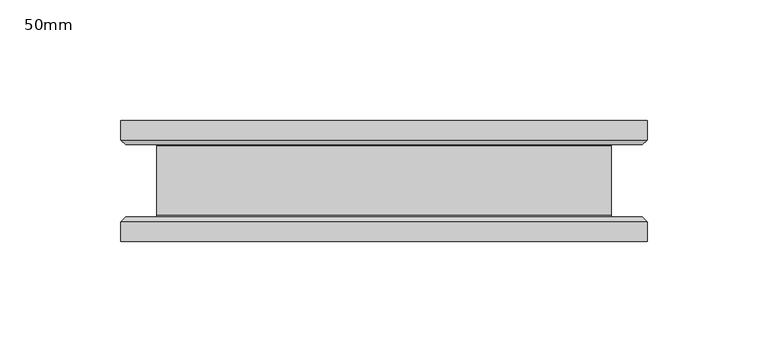
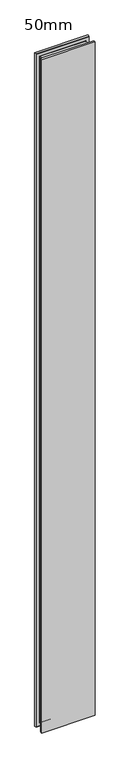
"""IFC4 building model written with IfcOpenShell, lengths in millimetres: plate geometry, 50mm."""

from ifc_helpers import new_model, si_unit, frame, origin, place, context, project, spatial, polyline, ellipse_curve, source, transform, mapped, element, save
from ifc_brep_helpers import plane_surface, revolved_surface, advanced_brep


def plate_50mm_5f269b6a(model_context):
    return source(origin(), model_context, "Body", "AdvancedBrep", [
        advanced_brep(
        [(108.9999998, 25.0, 2900.0), (-108.9999998, 25.0, 2900.0), (-108.9999998, 17.0, 2900.0), (108.9999998, 17.0, 2900.0), (-108.9999998, -25.0, 2900.0), (108.9999998, -25.0, 2900.0), (108.9999998, -17.0, 2900.0), (-108.9999998, -17.0, 2900.0), (108.9999998, -25.0, -13.5), (-108.9999998, -25.0, -13.5), (-108.9999998, -17.0, -13.5), (108.9999998, -17.0, -13.5), (-108.9999998, 25.0, -13.5), (108.9999998, 25.0, -13.5), (108.9999998, 17.0, -13.5), (-108.9999998, 17.0, -13.5), (-106.9999998, -15.0, -11.5), (106.9999998, -15.0, -11.5), (-93.9999998, -14.4, 1.5), (93.9999998, -14.4, 1.5), (94.5999998, -15.0, 0.9), (-94.5999998, -15.0, 0.9), (-93.9999998, 14.4, 1.5), (93.9999998, 14.4, 1.5), (-94.5999998, 15.0, 0.9), (94.5999998, 15.0, 0.9), (106.9999998, 15.0, -11.5), (-106.9999998, 15.0, -11.5), (106.9999998, -15.0, 2898.0), (93.9999998, -14.4, 2885.0), (94.5999998, -15.0, 2885.6), (93.9999998, 14.4, 2885.0), (94.5999998, 15.0, 2885.6), (106.9999998, 15.0, 2898.0), (-106.9999998, -15.0, 2898.0), (-93.9999998, -14.4, 2885.0), (-94.5999998, -15.0, 2885.6), (-93.9999998, 14.4, 2885.0), (-94.5999998, 15.0, 2885.6), (-106.9999998, 15.0, 2898.0)],
        [
            (0, 1),
            (1, 2),
            (2, 3),
            (3, 0),
            (4, 5),
            (5, 6),
            (6, 7),
            (7, 4),
            (8, 9),
            (9, 10),
            (10, 11),
            (11, 8),
            (12, 13),
            (13, 14),
            (14, 15),
            (15, 12),
            (0, 13),
            (12, 1),
            (15, 2),
            (9, 4),
            (7, 10),
            (8, 5),
            (3, 14),
            (11, 6),
            (16, 17),
            (17, 11),
            (10, 16),
            (18, 19),
            (19, 20, ellipse_curve(frame((94.5999998, -14.4, 0.9), z_axis=(0.7071067811865475, 0.0, 0.7071067811865475), x_axis=(-0.7071067811865476, 0.0, 0.7071067811865474)), 0.8485281, 0.6)),
            (20, 21),
            (21, 18, ellipse_curve(frame((-94.5999998, -14.4, 0.9), z_axis=(-0.7071067811865475, 0.0, 0.7071067811865475), x_axis=(-0.7071067811865476, 0.0, -0.7071067811865474)), 0.8485281, 0.6)),
            (18, 22),
            (22, 23),
            (23, 19),
            (22, 24, ellipse_curve(frame((-94.5999998, 14.4, 0.9), z_axis=(-0.7071067811865475, 0.0, 0.7071067811865475), x_axis=(-0.7071067811865476, 0.0, -0.7071067811865474)), 0.8485281, 0.6)),
            (24, 25),
            (25, 23, ellipse_curve(frame((94.5999998, 14.4, 0.9), z_axis=(0.7071067811865475, 0.0, 0.7071067811865475), x_axis=(-0.7071067811865476, 0.0, 0.7071067811865474)), 0.8485281, 0.6)),
            (14, 26),
            (26, 27),
            (27, 15),
            (17, 28),
            (28, 6),
            (19, 29),
            (29, 30, ellipse_curve(frame((94.5999998, -14.4, 2885.6), z_axis=(-0.7071067811865475, 0.0, 0.7071067811865475), x_axis=(-0.7071067811865474, 0.0, -0.7071067811865476)), 0.8485281, 0.6)),
            (30, 20),
            (23, 31),
            (31, 29),
            (25, 32),
            (32, 31, ellipse_curve(frame((94.5999998, 14.4, 2885.6), z_axis=(-0.7071067811865475, 0.0, 0.7071067811865475), x_axis=(-0.7071067811865474, 0.0, -0.7071067811865476)), 0.8485281, 0.6)),
            (3, 33),
            (33, 26),
            (28, 34),
            (34, 7),
            (29, 35),
            (35, 36, ellipse_curve(frame((-94.5999998, -14.4, 2885.6), z_axis=(-0.7071067811865475, 0.0, -0.7071067811865475), x_axis=(0.7071067811865476, 0.0, -0.7071067811865474)), 0.8485281, 0.6)),
            (36, 30),
            (31, 37),
            (37, 35),
            (32, 38),
            (38, 37, ellipse_curve(frame((-94.5999998, 14.4, 2885.6), z_axis=(-0.7071067811865475, 0.0, -0.7071067811865475), x_axis=(0.7071067811865476, 0.0, -0.7071067811865474)), 0.8485281, 0.6)),
            (2, 39),
            (39, 33),
            (34, 16),
            (36, 21),
            (35, 18),
            (37, 22),
            (38, 24),
            (39, 27),
        ],
        [
            plane_surface(frame((-108.9999998, 25.0, 2900.0), z_axis=(0.0, 0.0, 1.0), x_axis=(-1.0, 0.0, 0.0))),
            plane_surface(frame((-108.9999998, 25.0, -13.5), z_axis=(0.0, 0.0, -1.0), x_axis=(1.0, 0.0, 0.0))),
            plane_surface(frame((108.9999998, 25.0, 2900.0), z_axis=(0.0, 1.0, 0.0), x_axis=(0.0, 0.0, -1.0))),
            plane_surface(frame((-108.9999998, 25.0, 2900.0), z_axis=(-1.0, 0.0, 0.0), x_axis=(0.0, 0.0, -1.0))),
            plane_surface(frame((-108.9999998, -25.0, 2900.0), z_axis=(0.0, -1.0, 0.0), x_axis=(0.0, 0.0, -1.0))),
            plane_surface(frame((108.9999998, -25.0, 2900.0), z_axis=(1.0, 0.0, 0.0), x_axis=(0.0, 0.0, -1.0))),
            plane_surface(frame((-108.9999998, -17.0, -13.5), z_axis=(0.0, 0.7071067811866751, -0.7071067811864199), x_axis=(1.0, 0.0, 0.0))),
            revolved_surface(polyline([(-95.19999977353734, -14.400000000002729, 1.5), (95.19999977353733, -14.400000000002729, 1.5)]), (-95.4999998, -14.4, 0.9), (-1.0, 0.0, 0.0)),
            plane_surface(frame((-93.9999998, -14.4, 1.5), z_axis=(0.0, 0.0, -1.0), x_axis=(1.0, 0.0, 0.0))),
            revolved_surface(polyline([(-95.19999977353734, 15.0, 0.9), (95.19999977353733, 15.0, 0.9)]), (-95.4999998, 14.4, 0.9), (-1.0, 0.0, 0.0)),
            plane_surface(frame((-106.9999998, 15.0, -11.5), z_axis=(0.0, -0.7071067811660012, -0.7071067812070939), x_axis=(1.0, 0.0, 0.0))),
            plane_surface(frame((108.9999998, -17.0, -13.5), z_axis=(0.7071067811864199, 0.7071067811866751, 0.0), x_axis=(0.0, 0.0, 1.0))),
            revolved_surface(polyline([(93.99999980000001, -14.400000000002729, 0.3000000264626632), (93.99999980000001, -14.400000000002729, 2886.199999973537)]), (94.5999998, -14.4, 0.0), (0.0, 0.0, -1.0)),
            plane_surface(frame((93.9999998, -14.4, 1.5), z_axis=(1.0, 0.0, 0.0), x_axis=(0.0, 0.0, 1.0))),
            revolved_surface(polyline([(94.5999998, 15.0, 0.3000000264626632), (94.5999998, 15.0, 2886.199999973537)]), (94.5999998, 14.4, 0.0), (0.0, 0.0, -1.0)),
            plane_surface(frame((106.9999998, 15.0, -11.5), z_axis=(0.7071067812070939, -0.7071067811660012, 0.0), x_axis=(0.0, 0.0, 1.0))),
            plane_surface(frame((108.9999998, -17.0, 2900.0), z_axis=(0.0, 0.7071067811866751, 0.7071067811864199), x_axis=(-1.0, 0.0, 0.0))),
            revolved_surface(polyline([(95.19999977353734, -14.400000000002729, 2885.0), (-95.19999977353733, -14.400000000002729, 2885.0)]), (95.4999998, -14.4, 2885.6), (1.0, 0.0, 0.0)),
            plane_surface(frame((93.9999998, -14.4, 2885.0), z_axis=(0.0, 0.0, 1.0), x_axis=(-1.0, 0.0, 0.0))),
            revolved_surface(polyline([(95.19999977353734, 15.0, 2885.6), (-95.19999977353733, 15.0, 2885.6)]), (95.4999998, 14.4, 2885.6), (1.0, 0.0, 0.0)),
            plane_surface(frame((106.9999998, 15.0, 2898.0), z_axis=(0.0, -0.7071067811660012, 0.7071067812070939), x_axis=(-1.0, 0.0, 0.0))),
            plane_surface(frame((-108.9999998, -17.0, 2900.0), z_axis=(-0.7071067811864199, 0.7071067811866751, 0.0), x_axis=(0.0, 0.0, -1.0))),
            plane_surface(frame((-106.9999998, -15.0, 2898.0), z_axis=(0.0, 1.0, 0.0), x_axis=(0.0, 0.0, -1.0))),
            revolved_surface(polyline([(-93.99999980000001, -14.400000000002729, 2886.199999973537), (-93.99999980000001, -14.400000000002729, 0.30000002646283974)]), (-94.5999998, -14.4, 2886.5), (0.0, 0.0, 1.0)),
            plane_surface(frame((-93.9999998, -14.4, 2885.0), z_axis=(-1.0, 0.0, 0.0), x_axis=(0.0, 0.0, -1.0))),
            revolved_surface(polyline([(-94.5999998, 15.0, 2886.199999973537), (-94.5999998, 15.0, 0.30000002646283974)]), (-94.5999998, 14.4, 2886.5), (0.0, 0.0, 1.0)),
            plane_surface(frame((-94.5999998, 15.0, 2885.6), z_axis=(0.0, -1.0, 0.0), x_axis=(0.0, 0.0, -1.0))),
            plane_surface(frame((-106.9999998, 15.0, 2898.0), z_axis=(-0.7071067812070939, -0.7071067811660012, 0.0), x_axis=(0.0, 0.0, -1.0))),
        ],
        [
            (0, [[1, 2, 3, 4]]),
            (0, [[5, 6, 7, 8]]),
            (1, [[9, 10, 11, 12]]),
            (1, [[13, 14, 15, 16]]),
            (2, [[-1, 17, -13, 18]]),
            (3, [[-18, -16, 19, -2]]),
            (3, [[20, -8, 21, -10]]),
            (4, [[-5, -20, -9, 22]]),
            (5, [[-17, -4, 23, -14]]),
            (5, [[-22, -12, 24, -6]]),
            (6, [[25, 26, -11, 27]]),
            (7, [[28, 29, 30, 31]]),
            (8, [[-28, 32, 33, 34]]),
            (9, [[-33, 35, 36, 37]]),
            (10, [[38, 39, 40, -15]]),
            (11, [[-26, 41, 42, -24]]),
            (12, [[-29, 43, 44, 45]]),
            (13, [[-34, 46, 47, -43]]),
            (14, [[-37, 48, 49, -46]]),
            (15, [[-38, -23, 50, 51]]),
            (16, [[-42, 52, 53, -7]]),
            (17, [[-44, 54, 55, 56]]),
            (18, [[-47, 57, 58, -54]]),
            (19, [[-49, 59, 60, -57]]),
            (20, [[-50, -3, 61, 62]]),
            (21, [[-27, -21, -53, 63]]),
            (22, [[-25, -63, -52, -41], [-30, -45, -56, 64]]),
            (23, [[-31, -64, -55, 65]]),
            (24, [[-32, -65, -58, 66]]),
            (25, [[-35, -66, -60, 67]]),
            (26, [[-39, -51, -62, 68], [-36, -67, -59, -48]]),
            (27, [[-40, -68, -61, -19]]),
        ],
    ),
    ])


if __name__ == "__main__":
    model = new_model("IFC4")
    model_context = context("Model", 3, world=origin())
    ifc_project = project(units=[si_unit("LENGTHUNIT", "METRE", prefix="MILLI")], contexts=[model_context])
    site = spatial("IfcSite", under=ifc_project)
    building = spatial("IfcBuilding", under=site)
    placement = place(None, origin())
    plate_50mm_shape = plate_50mm_5f269b6a(model_context)
    element("IfcPlate", 1, ObjectType="50mm", at=placement, inside=building, context=model_context, shape_type="MappedRepresentation", body=[
        mapped(plate_50mm_shape, transform((0.0, 0.0, 0.0), x_axis=(1.0, 0.0, 0.0), y_axis=(0.0, 1.0, 0.0), z_axis=(0.0, 0.0, 1.0))),
    ])
    save(model, "model.ifc")
